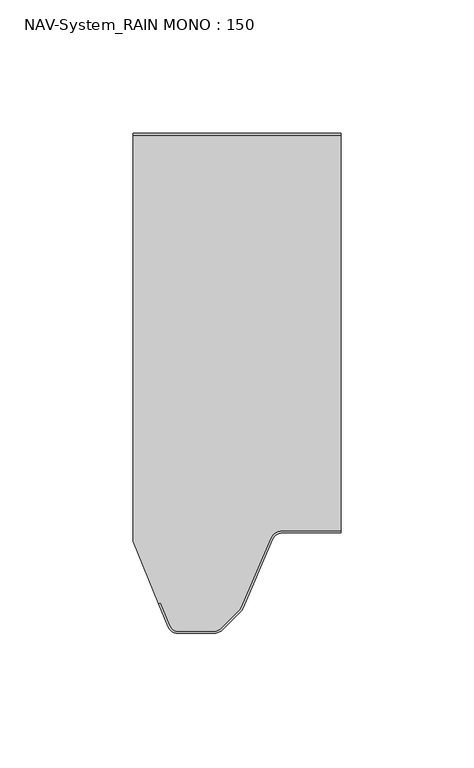
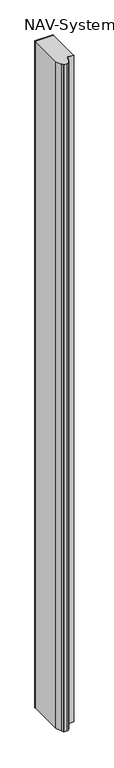
"""IFC4 building model written with IfcOpenShell, lengths in millimetres: plate geometry, NAV-System_RAIN MONO : 150."""

import ifcopenshell
import ifcopenshell.guid

model = None  # the IFC model being written
_history = None  # IfcOwnerHistory: only IFC2X3 demands one
_inside = {}  # id of a spatial element -> (the spatial element, [elements in it])
_under = {}  # id of a project, library or spatial element -> (it, [spatial elements below it])
_declared = {}  # id of a project -> (the project, [libraries it declares])
_typed = {}  # id of a type object -> (the type object, [elements of that type])
_made_of = {}  # id of a material, layer set ... -> (it, [elements and type objects made of it])


def new_model(schema):
    """Start an empty IFC model of exactly this schema.

    Asked for "IFC4X3", IfcOpenShell would pick the latest addendum, in which some entities
    have other attributes; the version numbers below select the first issue.
    IFC2X3 requires an IfcOwnerHistory on every rooted entity: one is made here for all.
    """
    global model, _history
    if schema == "IFC4X3":
        model = ifcopenshell.file(schema_version=(4, 3, 0, 0))
    else:
        model = ifcopenshell.file(schema=schema)
    _inside.clear()
    _under.clear()
    _declared.clear()
    _typed.clear()
    _made_of.clear()
    _history = None
    if model.schema == "IFC2X3":
        org = make("IfcOrganization", Name="unknown")
        user = make(
            "IfcPersonAndOrganization",
            ThePerson=make("IfcPerson", FamilyName="unknown"),
            TheOrganization=org,
        )
        app = make(
            "IfcApplication",
            ApplicationDeveloper=org,
            Version="unknown",
            ApplicationFullName="unknown",
            ApplicationIdentifier="unknown",
        )
        _history = make(
            "IfcOwnerHistory",
            OwningUser=user,
            OwningApplication=app,
            ChangeAction="ADDED",
            CreationDate=0,
        )
    return model


def make(cls, **values):
    """One entity of the class cls with the attributes given. An attribute that is None is left unset."""
    return model.create_entity(
        cls, **{name: value for name, value in values.items() if value is not None}
    )


def rooted(cls, **values):
    """An entity with a GlobalId (a new one), such as an element, a storey or a relation."""
    return make(cls, GlobalId=ifcopenshell.guid.new(), OwnerHistory=_history, **values)


def si_unit(unit_type, name, prefix=None):
    """IfcSIUnit, for example si_unit("LENGTHUNIT", "METRE", prefix="MILLI")."""
    return make("IfcSIUnit", UnitType=unit_type, Prefix=prefix, Name=name)


def assignment(units):
    """IfcUnitAssignment: the units of a project."""
    return None if units is None else make("IfcUnitAssignment", Units=units)


def point(xyz):
    """IfcCartesianPoint."""
    return None if xyz is None else make("IfcCartesianPoint", Coordinates=xyz)


def direction(xyz):
    """IfcDirection."""
    return None if xyz is None else make("IfcDirection", DirectionRatios=xyz)


def frame(location, z_axis=None, x_axis=None):
    """IfcAxis2Placement3D, a coordinate frame: its origin and axes. An axis left out is left unset."""
    return make(
        "IfcAxis2Placement3D",
        Location=point(location),
        Axis=direction(z_axis),
        RefDirection=direction(x_axis),
    )


def frame_2d(location, x_axis=None):
    """IfcAxis2Placement2D, a coordinate frame in the plane: its origin and x axis."""
    return make(
        "IfcAxis2Placement2D", Location=point(location), RefDirection=direction(x_axis)
    )


def origin():
    """The frame at (0, 0, 0) with its axes left unset."""
    return frame((0.0, 0.0, 0.0))


def origin_with_axes():
    """The frame at (0, 0, 0) with the z axis (0, 0, 1) and the x axis (1, 0, 0) written out."""
    return frame((0.0, 0.0, 0.0), z_axis=(0.0, 0.0, 1.0), x_axis=(1.0, 0.0, 0.0))


def place(relative_to, where):
    """IfcLocalPlacement: puts the frame where relative to a parent placement (None: the world)."""
    return make(
        "IfcLocalPlacement", PlacementRelTo=relative_to, RelativePlacement=where
    )


def context(
    kind, dimensions, precision=None, world=None, true_north=None, identifier=None
):
    """IfcGeometricRepresentationContext, for example the 3D "Model" context."""
    return make(
        "IfcGeometricRepresentationContext",
        ContextIdentifier=identifier,
        ContextType=kind,
        CoordinateSpaceDimension=dimensions,
        Precision=precision,
        WorldCoordinateSystem=world,
        TrueNorth=true_north,
    )


def project(units=None, contexts=None):
    """IfcProject with its units and contexts."""
    return rooted(
        "IfcProject",
        Name="project",
        RepresentationContexts=contexts,
        UnitsInContext=assignment(units),
    )


def spatial(cls, under=None, at=None, **own):
    """A site, building, storey or space (cls), placed at a placement, below another one or the project."""
    s = rooted(cls, ObjectPlacement=at, **own)
    if under is not None:
        _under.setdefault(under.id(), (under, []))[1].append(s)
    return s


def polyline(points):
    """IfcPolyline through the points."""
    return make("IfcPolyline", Points=[point(p) for p in points])


def circle_curve(where, radius):
    """IfcCircle in the frame where."""
    return make("IfcCircle", Position=where, Radius=radius)


def trimmed(basis, trim1, trim2, sense, master):
    """IfcTrimmedCurve: the piece of a basis curve between two trims."""
    return make(
        "IfcTrimmedCurve",
        BasisCurve=basis,
        Trim1=trim1,
        Trim2=trim2,
        SenseAgreement=sense,
        MasterRepresentation=master,
    )


def segment(curve, same_sense, transition):
    """IfcCompositeCurveSegment."""
    return make(
        "IfcCompositeCurveSegment",
        Transition=transition,
        SameSense=same_sense,
        ParentCurve=curve,
    )


def composite_curve(segments, self_intersect=None):
    """IfcCompositeCurve: segments joined end to end."""
    return make("IfcCompositeCurve", Segments=segments, SelfIntersect=self_intersect)


def outline(outer, holes=None, kind="AREA"):
    """IfcArbitraryClosedProfileDef: a profile drawn as a closed curve; with holes, ...WithVoids."""
    if holes is None:
        return make("IfcArbitraryClosedProfileDef", ProfileType=kind, OuterCurve=outer)
    return make(
        "IfcArbitraryProfileDefWithVoids",
        ProfileType=kind,
        OuterCurve=outer,
        InnerCurves=holes,
    )


def extrude(swept, where, along, depth):
    """IfcExtrudedAreaSolid: the profile swept, set in the frame where, extruded along a direction by depth."""
    return make(
        "IfcExtrudedAreaSolid",
        SweptArea=swept,
        Position=where,
        ExtrudedDirection=direction(along),
        Depth=depth,
    )


def shape(context_of_items, identifier, shape_type, items):
    """IfcShapeRepresentation: the items that make up one representation, for example the "Body"."""
    return make(
        "IfcShapeRepresentation",
        ContextOfItems=context_of_items,
        RepresentationIdentifier=identifier,
        RepresentationType=shape_type,
        Items=items,
    )


def source(mapping_origin, context_of_items, identifier, shape_type, items):
    """IfcRepresentationMap: a shape defined once, which mapped items show again and again."""
    return make(
        "IfcRepresentationMap",
        MappingOrigin=mapping_origin,
        MappedRepresentation=shape(context_of_items, identifier, shape_type, items),
    )


def transform(
    local_origin,
    x_axis=None,
    y_axis=None,
    z_axis=None,
    scale=None,
    scale2=None,
    scale3=None,
    uniform=True,
):
    """IfcCartesianTransformationOperator3D, or its non-uniform kind. x_axis, y_axis, z_axis: its Axis1, 2, 3."""
    if uniform:
        return make(
            "IfcCartesianTransformationOperator3D",
            Axis1=direction(x_axis),
            Axis2=direction(y_axis),
            LocalOrigin=point(local_origin),
            Scale=scale,
            Axis3=direction(z_axis),
        )
    return make(
        "IfcCartesianTransformationOperator3DnonUniform",
        Axis1=direction(x_axis),
        Axis2=direction(y_axis),
        LocalOrigin=point(local_origin),
        Scale=scale,
        Axis3=direction(z_axis),
        Scale2=scale2,
        Scale3=scale3,
    )


def mapped(mapping_source, mapping_target):
    """IfcMappedItem: shows the shape of a source again, moved by a transform."""
    return make(
        "IfcMappedItem", MappingSource=mapping_source, MappingTarget=mapping_target
    )


def made_of(thing, what):
    """Note that an element or type object is made of a material, layer set ...; save() writes the relation."""
    if what is not None:
        _made_of.setdefault(what.id(), (what, []))[1].append(thing)
    return thing


def element(
    cls,
    number,
    at=None,
    inside=None,
    cuts=None,
    type_object=None,
    material=None,
    context=None,
    identifier="Body",
    shape_type=None,
    held_by="IfcProductDefinitionShape",
    body=None,
    shapes=None,
    **own,
):
    """One element of the class cls, such as IfcWall. Its Tag is "e" and its number.

    at: its placement. inside: the storey or other place that contains it. cuts: it is an
    opening in that element (IfcRelVoidsElement). A single representation is given by context,
    identifier, shape_type and body (its items); several are given by shapes. held_by: the class
    of the entity that holds the representations. save() writes the other relations.
    """
    e = rooted(cls, Tag="e%d" % number, ObjectPlacement=at, **own)
    if body is not None:
        shapes = [shape(context, identifier, shape_type, body)]
    if shapes is not None:
        e.Representation = make(held_by, Representations=shapes)
    if inside is not None:
        _inside.setdefault(inside.id(), (inside, []))[1].append(e)
    if cuts is not None:
        rooted(
            "IfcRelVoidsElement", RelatingBuildingElement=cuts, RelatedOpeningElement=e
        )
    if type_object is not None:
        _typed.setdefault(type_object.id(), (type_object, []))[1].append(e)
    return made_of(e, material)


def aggregate(whole, parts):
    """IfcRelAggregates: a whole, such as a stair, and the parts it consists of."""
    return rooted("IfcRelAggregates", RelatingObject=whole, RelatedObjects=parts)


def save(model, path):
    """Write the relations noted so far, then the file.

    IfcRelAggregates (storeys below a building ...), IfcRelContainedInSpatialStructure (elements
    in a storey), IfcRelDefinesByType, IfcRelAssociatesMaterial and IfcRelDeclares: one each for
    every whole, place, type object, material and project.
    """
    for whole, parts in _under.values():
        aggregate(whole, parts)
    for where, things in _inside.values():
        rooted(
            "IfcRelContainedInSpatialStructure",
            RelatedElements=things,
            RelatingStructure=where,
        )
    for kind, things in _typed.values():
        rooted("IfcRelDefinesByType", RelatedObjects=things, RelatingType=kind)
    for what, things in _made_of.values():
        rooted("IfcRelAssociatesMaterial", RelatedObjects=things, RelatingMaterial=what)
    for by, libraries in _declared.values():
        rooted("IfcRelDeclares", RelatingContext=by, RelatedDefinitions=libraries)
    model.write(path)


def nav_system_rain_mono_150_e7ccea56(model_context):
    return source(origin(), model_context, "Body", "SweptSolid", [
        extrude(outline(polyline([(-28.0, -0.8), (-28.0, 0.0), (50.0, 0.0), (50.0, -0.8), (-28.0, -0.8)])), origin_with_axes(), (0.0, 0.0, 1.0), 3000.0),
        extrude(outline(composite_curve([segment(trimmed(circle_curve(frame_2d((28.0709249, -154.0)), 4.8), [point((28.0709249, -149.2))], [point((23.6607271, -152.1052295))], True, "CARTESIAN"), True, "CONTINUOUS"), segment(polyline([(23.6607271, -152.1052295), (12.5754349, -177.9069459)]), True, "CONTINUOUS"), segment(trimmed(circle_curve(frame_2d((8.7165118, -176.2490217)), 4.2), [point((12.5754349, -177.9069459))], [point((11.6863603, -179.2188701))], False, "CARTESIAN"), True, "CONTINUOUS"), segment(polyline([(11.6863603, -179.2188701), (5.235382, -185.6698485)]), True, "CONTINUOUS"), segment(trimmed(circle_curve(frame_2d((2.2655335, -182.7)), 4.2), [point((5.235382, -185.6698485))], [point((2.2655335, -186.9))], False, "CARTESIAN"), True, "CONTINUOUS"), segment(polyline([(2.2655335, -186.9), (-11.1405186, -186.9)]), True, "CONTINUOUS"), segment(trimmed(circle_curve(frame_2d((-11.1405186, -183.7)), 3.2), [point((-11.1405186, -186.9))], [point((-14.1022482, -184.9116756))], False, "CARTESIAN"), True, "CONTINUOUS"), segment(polyline([(-14.1022482, -184.9116756), (-17.6292254, -176.2905951), (-18.3696578, -176.593514), (-28.0, -153.053822), (-28.0, -0.8), (50.0, -0.8), (50.0, -149.2), (28.0709249, -149.2)]), True, "CONTINUOUS")], self_intersect=False)), origin_with_axes(), (0.0, 0.0, 1.0), 3000.0),
        extrude(outline(composite_curve([segment(polyline([(-14.8430228, -185.2145945), (-18.37, -176.593514), (-17.6295676, -176.2905951), (-14.1025904, -184.9116756)]), True, "CONTINUOUS"), segment(trimmed(circle_curve(frame_2d((-11.1408608, -183.7)), 3.2), [point((-14.1025904, -184.9116756))], [point((-11.1408608, -186.9))], True, "CARTESIAN"), True, "CONTINUOUS"), segment(polyline([(-11.1408608, -186.9), (2.2651913, -186.9)]), True, "CONTINUOUS"), segment(trimmed(circle_curve(frame_2d((2.2651913, -182.7)), 4.2), [point((2.2651913, -186.9))], [point((5.2350397, -185.6698485))], True, "CARTESIAN"), True, "CONTINUOUS"), segment(polyline([(5.2350397, -185.6698485), (11.6860181, -179.2188701)]), True, "CONTINUOUS"), segment(trimmed(circle_curve(frame_2d((8.7161696, -176.2490217)), 4.2), [point((11.6860181, -179.2188701))], [point((12.5750927, -177.9069459))], True, "CARTESIAN"), True, "CONTINUOUS"), segment(polyline([(12.5750927, -177.9069459), (23.6603849, -152.1052295)]), True, "CONTINUOUS"), segment(trimmed(circle_curve(frame_2d((28.0705827, -154.0)), 4.8), [point((23.6603849, -152.1052295))], [point((28.0705827, -149.2))], False, "CARTESIAN"), True, "CONTINUOUS"), segment(polyline([(28.0705827, -149.2), (50.0, -149.2), (50.0, -150.0), (28.0705827, -150.0)]), True, "CONTINUOUS"), segment(trimmed(circle_curve(frame_2d((28.0705827, -154.0)), 4.0), [point((28.0705827, -150.0))], [point((24.3954178, -152.4210246))], True, "CARTESIAN"), True, "CONTINUOUS"), segment(polyline([(24.3954178, -152.4210246), (13.3101256, -178.2227409)]), True, "CONTINUOUS"), segment(trimmed(circle_curve(frame_2d((8.7161696, -176.2490217)), 5.0), [point((13.3101256, -178.2227409))], [point((12.2517035, -179.7845556))], False, "CARTESIAN"), True, "CONTINUOUS"), segment(polyline([(12.2517035, -179.7845556), (5.8007252, -186.2355339)]), True, "CONTINUOUS"), segment(trimmed(circle_curve(frame_2d((2.2651913, -182.7)), 5.0), [point((5.8007252, -186.2355339))], [point((2.2651913, -187.7))], False, "CARTESIAN"), True, "CONTINUOUS"), segment(polyline([(2.2651913, -187.7), (-11.1408608, -187.7)]), True, "CONTINUOUS"), segment(trimmed(circle_curve(frame_2d((-11.1408608, -183.7)), 4.0), [point((-11.1408608, -187.7))], [point((-14.8430228, -185.2145945))], False, "CARTESIAN"), True, "CONTINUOUS")], self_intersect=False)), origin_with_axes(), (0.0, 0.0, 1.0), 3000.0),
    ])


if __name__ == "__main__":
    model = new_model("IFC4")
    model_context = context("Model", 3, world=origin())
    ifc_project = project(units=[si_unit("LENGTHUNIT", "METRE", prefix="MILLI")], contexts=[model_context])
    site = spatial("IfcSite", under=ifc_project)
    building = spatial("IfcBuilding", under=site)
    placement = place(None, origin())
    nav_system_rain_mono_150_shape = nav_system_rain_mono_150_e7ccea56(model_context)
    element("IfcPlate", 1, ObjectType="NAV-System_RAIN MONO : 150", at=placement, inside=building, context=model_context, shape_type="MappedRepresentation", body=[
        mapped(nav_system_rain_mono_150_shape, transform((0.0, 0.0, 0.0), x_axis=(1.0, 0.0, 0.0), y_axis=(0.0, 1.0, 0.0), z_axis=(0.0, 0.0, 1.0))),
    ])
    save(model, "model.ifc")
